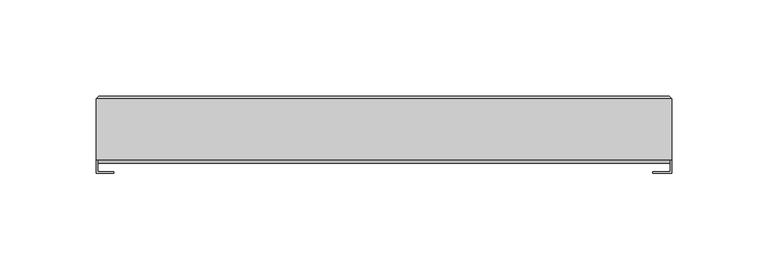
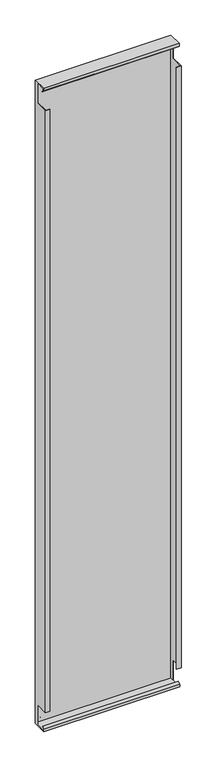
"""IFC4 building model written with IfcOpenShell, lengths in millimetres: plate geometry."""

from ifc_helpers import new_model, si_unit, frame, origin, place, context, project, spatial, polyline, outline, extrude, faceted_brep, source, transform, mapped, element, save


def plate_fab573c4(model_context):
    return source(origin(), model_context, "Body", "SolidModel", [
        faceted_brep([(-148.4000002, 32.2, 1498.4), (-148.4000002, 23.0, 1498.4), (-148.4000002, 23.0, 1451.2), (-148.4000002, -6.2, 1451.2), (-148.4000002, -6.2, 48.0), (-148.4000002, 23.0, 48.0), (-148.4000002, 23.0, 0.8), (-148.4000002, 32.2, 0.8), (-149.2000002, 0.8, 1498.4), (-149.2000002, 0.8, 1493.5313708), (-149.2000002, 4.8083261, 1489.5230447), (-149.2000002, 4.2426407, 1488.9573593), (-149.2000002, 0.0, 1493.2), (-149.2000002, 0.0, 1499.2), (-149.2000002, 31.8, 1499.2), (-149.2000002, 31.8, 0.0), (-149.2000002, -1.6, 0.0), (-149.2000002, -1.6, 6.0), (-149.2000002, 2.6426407, 10.2426407), (-149.2000002, 3.2083261, 9.6769553), (-149.2000002, -0.8, 5.6686292), (-149.2000002, -0.8, 0.8), (-149.2000002, 23.0, 0.8), (-149.2000002, 23.0, 48.0), (-149.2000002, -7.0, 48.0), (-149.2000002, -7.0, 1451.2), (-149.2000002, 23.0, 1451.2), (-149.2000002, 23.0, 1498.4), (150.0000002, -1.6, 0.0), (149.2000002, 31.85, 0.0), (150.0000002, 31.85, 0.0), (-148.0000002, 33.0, 1.15), (-148.0000002, 33.0, 1498.0), (148.8000002, 33.0, 1498.0), (148.8000002, 33.0, 1.15), (140.0000002, 33.0, 10.0), (140.0000002, 33.0, 1489.2), (-140.0000002, 33.0, 1489.2), (-140.0000002, 33.0, 10.0), (150.0000002, 0.0, 1499.2), (150.0000002, 31.8, 1499.2), (149.2000002, 31.8, 1499.2), (150.0000002, 0.0, 1493.2), (150.0000002, 4.2426407, 1488.9573593), (150.0000002, 4.8083261, 1489.5230447), (150.0000002, 0.8, 1493.5313708), (150.0000002, 0.8, 1498.4), (150.0000002, 23.0, 1498.4), (150.0000002, 23.0, 1451.2), (150.0000002, -7.0, 1451.2), (150.0000002, -7.0, 48.0), (150.0000002, 23.0, 48.0), (150.0000002, 23.0, 0.8), (150.0000002, -0.8, 0.8), (150.0000002, -0.8, 5.6686292), (150.0000002, 3.2083261, 9.6769553), (150.0000002, 2.6426407, 10.2426407), (150.0000002, -1.6, 6.0), (149.2000002, 32.2, 1498.4), (149.2000002, 23.0, 1498.4), (149.2000002, 32.2, 0.8), (140.0000002, 32.2, 1489.2), (140.0000002, 32.2, 10.0), (-140.0000002, 32.2, 10.0), (-140.0000002, 32.2, 1489.2), (149.2000002, 23.0, 0.8), (149.2000002, 23.0, 48.0), (149.2000002, -6.2, 48.0), (149.2000002, -6.2, 1451.2), (149.2000002, 23.0, 1451.2), (140.0000002, -6.2, 1451.2), (140.0000002, -7.0, 1451.2), (140.0000002, -7.0, 48.0), (140.0000002, -6.2, 48.0), (-140.0000002, -7.0, 1451.2), (-140.0000002, -6.2, 1451.2), (-140.0000002, -6.2, 48.0), (-140.0000002, -7.0, 48.0)], [[[0, 1, 2, 3, 4, 5, 6, 7]], [[8, 9, 10, 11, 12, 13, 14, 15, 16, 17, 18, 19, 20, 21, 22, 23, 24, 25, 26, 27]], [[1, 27, 26, 2]], [[22, 6, 5, 23]], [[28, 16, 15, 29, 30]], [[31, 32, 33, 34], [35, 36, 37, 38]], [[13, 39, 40, 41, 14]], [[39, 42, 43, 44, 45, 46, 47, 48, 49, 50, 51, 52, 53, 54, 55, 56, 57, 28, 30, 40]], [[42, 39, 13, 12]], [[46, 45, 9, 8]], [[46, 8, 27, 1, 0, 58, 59, 47]], [[58, 0, 7, 60], [61, 62, 63, 64]], [[36, 61, 64, 37]], [[28, 57, 17, 16]], [[21, 53, 52, 65, 60, 7, 6, 22]], [[62, 35, 38, 63]], [[29, 15, 31, 34, 30]], [[41, 40, 33, 32, 14]], [[59, 58, 60, 65, 66, 67, 68, 69]], [[47, 59, 69, 48]], [[65, 52, 51, 66]], [[49, 48, 69, 68, 70, 71]], [[50, 72, 73, 67, 66, 51]], [[70, 68, 67, 73]], [[71, 70, 73, 72]], [[49, 71, 72, 50]], [[25, 74, 75, 3, 2, 26]], [[24, 23, 5, 4, 76, 77]], [[3, 75, 76, 4]], [[75, 74, 77, 76]], [[74, 25, 24, 77]], [[54, 53, 21, 20]], [[62, 61, 36, 35]], [[64, 63, 38, 37]], [[43, 42, 12, 11]], [[44, 43, 11, 10]], [[45, 44, 10, 9]], [[55, 54, 20, 19]], [[56, 55, 19, 18]], [[57, 56, 18, 17]], [[15, 14, 32, 31]], [[34, 33, 40, 30]]]),
        extrude(outline(polyline([(149.2000002, 31.0), (-148.4000002, 31.0), (-148.4000002, 32.5), (149.2000002, 32.5), (149.2000002, 31.0)])), frame((0.0, 0.0, 0.8), z_axis=(0.0, 0.0, 1.0), x_axis=(1.0, 0.0, 0.0)), (0.0, 0.0, 1.0), 1497.6),
        extrude(outline(polyline([(140.0000002, 32.2), (-140.0000002, 32.2), (-140.0000002, 33.0), (140.0000002, 33.0), (140.0000002, 32.2)])), frame((0.0, 0.0, 10.0), z_axis=(0.0, 0.0, 1.0), x_axis=(1.0, 0.0, 0.0)), (0.0, 0.0, 1.0), 1479.2),
    ])


if __name__ == "__main__":
    model = new_model("IFC4")
    model_context = context("Model", 3, world=origin())
    ifc_project = project(units=[si_unit("LENGTHUNIT", "METRE", prefix="MILLI")], contexts=[model_context])
    site = spatial("IfcSite", under=ifc_project)
    building = spatial("IfcBuilding", under=site)
    placement = place(None, origin())
    plate_shape = plate_fab573c4(model_context)
    element("IfcPlate", 1, at=placement, inside=building, context=model_context, shape_type="MappedRepresentation", body=[
        mapped(plate_shape, transform((0.0, 0.0, 0.0), x_axis=(1.0, 0.0, 0.0), y_axis=(0.0, 1.0, 0.0), z_axis=(0.0, 0.0, 1.0))),
    ])
    save(model, "model.ifc")
